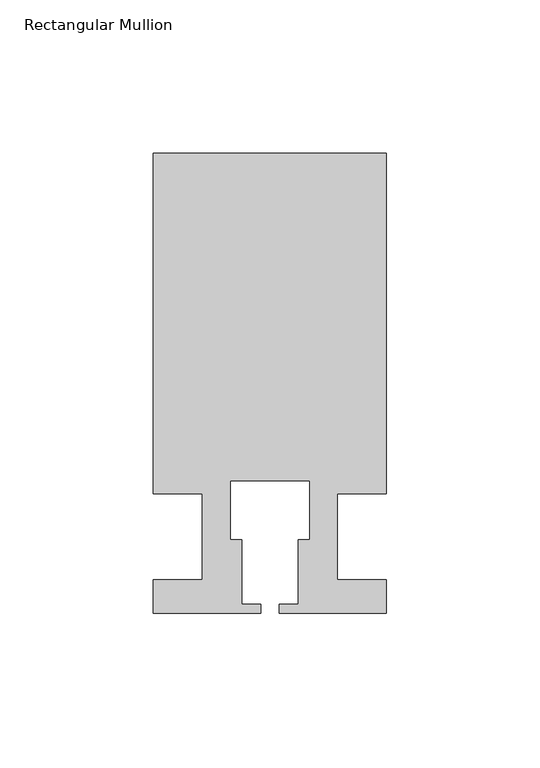
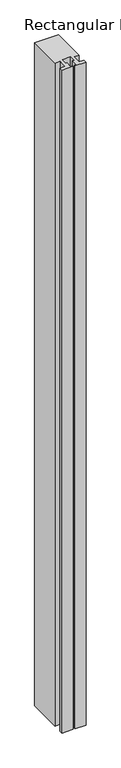
"""IFC4 building model written with IfcOpenShell, lengths in millimetres: member geometry, Rectangular Mullion."""

from ifc_helpers import new_model, si_unit, frame, origin, place, context, project, spatial, polyline, outline, extrude, source, transform, mapped, element, save


def rectangular_mullion_30ace257(model_context):
    return source(origin(), model_context, "Body", "SweptSolid", [
        extrude(outline(polyline([(37.9999914, 124.9960123), (37.9999914, 13.9960123), (21.9999651, 13.9960123), (21.9999651, -14.0039877), (37.9999896, -14.0039877), (37.9999896, -25.0039877), (2.9999651, -25.0039877), (2.9999651, -22.0039877), (9.1999651, -22.0039877), (9.1999651, -1.0039877), (12.9999651, -1.0039877), (12.9999651, 18.1960075), (-12.9999633, 18.1960075), (-12.9999633, -1.0039877), (-9.1999633, -1.0039877), (-9.1999633, -22.0039877), (-2.9999896, -22.0039877), (-2.9999896, -25.0039877), (-37.9999896, -25.0039877), (-37.9999896, -14.0039877), (-21.9999633, -14.0039877), (-21.9999633, 13.9959029), (-37.9999896, 13.9959029), (-37.9999896, 124.9960123), (37.9999914, 124.9960123)])), frame((0.0, 0.0, -2211.2021929), z_axis=(0.0, 0.0, 1.0), x_axis=(1.0, 0.0, 0.0)), (0.0, 0.0, 1.0), 2211.2021929),
    ])


if __name__ == "__main__":
    model = new_model("IFC4")
    model_context = context("Model", 3, world=origin())
    ifc_project = project(units=[si_unit("LENGTHUNIT", "METRE", prefix="MILLI")], contexts=[model_context])
    site = spatial("IfcSite", under=ifc_project)
    building = spatial("IfcBuilding", under=site)
    placement = place(None, origin())
    rectangular_mullion_shape = rectangular_mullion_30ace257(model_context)
    element("IfcMember", 1, ObjectType="Rectangular Mullion", at=placement, inside=building, context=model_context, shape_type="MappedRepresentation", body=[
        mapped(rectangular_mullion_shape, transform((0.0, 0.0, 0.0), x_axis=(1.0, 0.0, 0.0), y_axis=(0.0, 1.0, 0.0), z_axis=(0.0, 0.0, 1.0))),
    ])
    save(model, "model.ifc")
